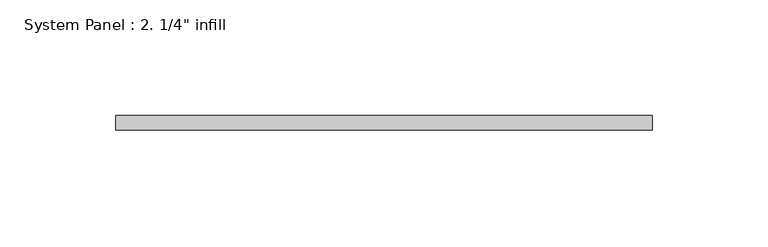
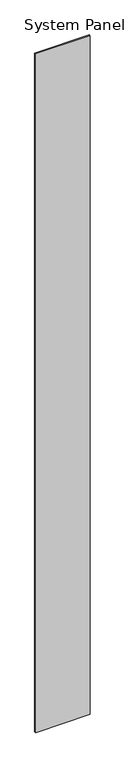
"""IFC4 building model written with IfcOpenShell, lengths in millimetres: plate geometry."""

from ifc_helpers import new_model, si_unit, origin, origin_with_axes, place, context, project, spatial, polyline, outline, extrude, source, transform, mapped, element, save


def plate_a9f6161e(model_context):
    return source(origin(), model_context, "Body", "SweptSolid", [
        extrude(outline(polyline([(116.1266829, -6.35), (-116.1266829, -6.35), (-116.1266829, 0.0), (116.1266829, 0.0), (116.1266829, -6.35)])), origin_with_axes(), (0.0, 0.0, 1.0), 3048.0),
    ])


if __name__ == "__main__":
    model = new_model("IFC4")
    model_context = context("Model", 3, world=origin())
    ifc_project = project(units=[si_unit("LENGTHUNIT", "METRE", prefix="MILLI")], contexts=[model_context])
    site = spatial("IfcSite", under=ifc_project)
    building = spatial("IfcBuilding", under=site)
    placement = place(None, origin())
    plate_shape = plate_a9f6161e(model_context)
    element("IfcPlate", 1, ObjectType="System Panel : 2. 1/4\" infill", at=placement, inside=building, context=model_context, shape_type="MappedRepresentation", body=[
        mapped(plate_shape, transform((0.0, 0.0, 0.0), x_axis=(1.0, 0.0, 0.0), y_axis=(0.0, 1.0, 0.0), z_axis=(0.0, 0.0, 1.0))),
    ])
    save(model, "model.ifc")
